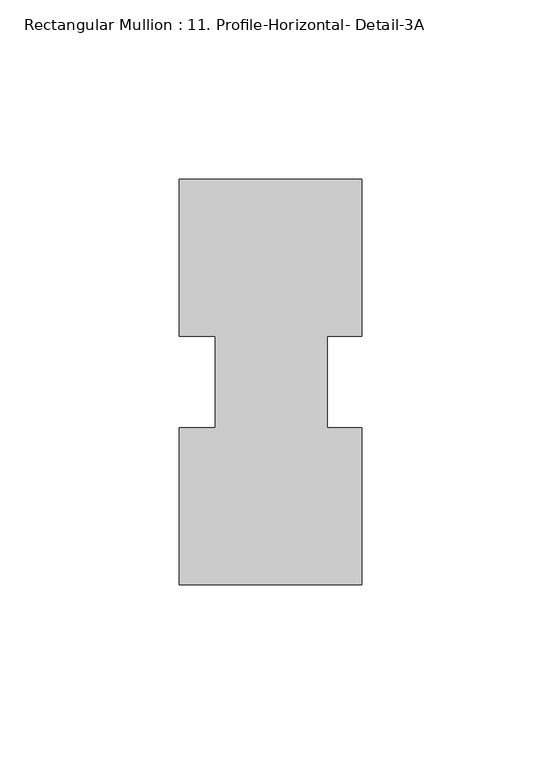
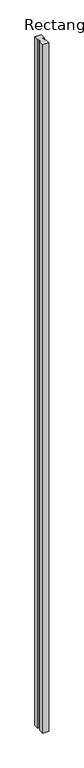
"""IFC4 building model written with IfcOpenShell, lengths in millimetres: member geometry, Rectangular Mullion : 11. Profile-Horizontal- Detail-3A."""

from ifc_helpers import new_model, si_unit, frame, origin, place, context, project, spatial, polyline, outline, extrude, source, transform, mapped, element, save


def rectangular_mullion_11_profile_horizontal_detail_3a_2da1ca45(model_context):
    return source(origin(), model_context, "Body", "SweptSolid", [
        extrude(outline(polyline([(25.3968885, -56.5435115), (-25.4031115, -56.5435115), (-25.4031115, -12.7581776), (-15.433617, -12.7581776), (-15.433617, 12.7295207), (-25.4031115, 12.7295207), (-25.4031115, 56.5372885), (25.4159385, 56.5372885), (25.4159385, 12.7359559), (15.8718885, 12.7359559), (15.8718885, -12.7581776), (25.3968885, -12.7581776), (25.3968885, -56.5435115)])), frame((0.0, 0.0, -6000.75), z_axis=(0.0, 0.0, 1.0), x_axis=(1.0, 0.0, 0.0)), (0.0, 0.0, 1.0), 6000.75),
    ])


if __name__ == "__main__":
    model = new_model("IFC4")
    model_context = context("Model", 3, world=origin())
    ifc_project = project(units=[si_unit("LENGTHUNIT", "METRE", prefix="MILLI")], contexts=[model_context])
    site = spatial("IfcSite", under=ifc_project)
    building = spatial("IfcBuilding", under=site)
    placement = place(None, origin())
    rectangular_mullion_11_profile_horizontal_detail_3a_shape = rectangular_mullion_11_profile_horizontal_detail_3a_2da1ca45(model_context)
    element("IfcMember", 1, ObjectType="Rectangular Mullion : 11. Profile-Horizontal- Detail-3A", at=placement, inside=building, context=model_context, shape_type="MappedRepresentation", body=[
        mapped(rectangular_mullion_11_profile_horizontal_detail_3a_shape, transform((0.0, 0.0, 0.0), x_axis=(1.0, 0.0, 0.0), y_axis=(0.0, 1.0, 0.0), z_axis=(0.0, 0.0, 1.0))),
    ])
    save(model, "model.ifc")
